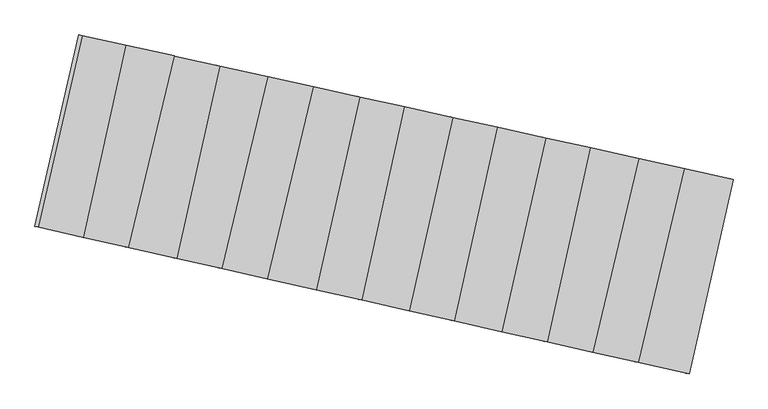
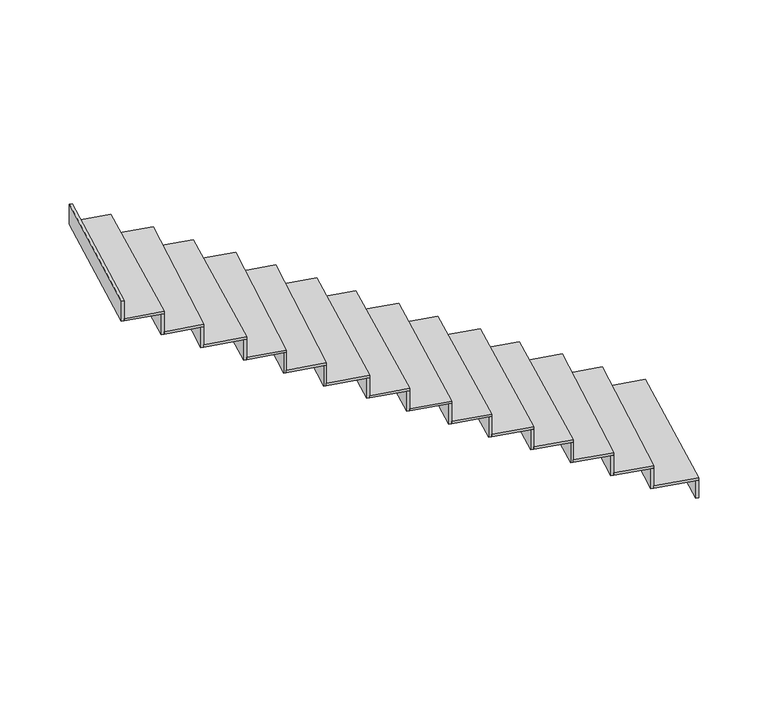
"""IFC4 building model written with IfcOpenShell, lengths in millimetres: stair flight geometry."""

from ifc_helpers import new_model, si_unit, frame, origin, place, context, project, spatial, polyline, outline, extrude, source, transform, mapped, element, save


def stair_flight_25f800e7(model_context):
    return source(origin(), model_context, "Body", "SweptSolid", [
        extrude(outline(polyline([(-69252.6861343, 2195.0390283), (-69233.157768, 2190.7204937), (-69498.5697971, 1013.6243369), (-69518.0799833, 1018.0235001), (-69252.6861343, 2195.0390283)])), frame((0.0, 0.0, -2486.5), z_axis=(0.0, 0.0, 1.0), x_axis=(1.0, 0.0, 0.0)), (0.0, 0.0, 1.0), 144.8530746),
        extrude(outline(polyline([(-69807.4024416, 1083.2600233), (-69529.7485279, 2256.3090556), (-69233.157768, 2190.7204937), (-69498.5697971, 1013.6243369), (-69807.4024416, 1083.2600233)])), frame((0.0, 0.0, -2341.6469254), z_axis=(0.0, 0.0, 1.0), x_axis=(1.0, 0.0, 0.0)), (0.0, 0.0, 1.0), 20.0),
        extrude(outline(polyline([(-69549.27886, 2260.6280249), (-69529.7485279, 2256.3090556), (-69807.4024416, 1083.2600233), (-69826.9137333, 1087.6594358), (-69549.27886, 2260.6280249)])), frame((0.0, 0.0, -2341.6469254), z_axis=(0.0, 0.0, 1.0), x_axis=(1.0, 0.0, 0.0)), (0.0, 0.0, 1.0), 164.8530746),
        extrude(outline(polyline([(-70082.3075507, 1145.2457178), (-69804.9219077, 2317.1613433), (-69529.7485279, 2256.3090556), (-69807.4024416, 1083.2600233), (-70082.3075507, 1145.2457178)])), frame((0.0, 0.0, -2176.7938508), z_axis=(0.0, 0.0, 1.0), x_axis=(1.0, 0.0, 0.0)), (0.0, 0.0, 1.0), 20.0),
        extrude(outline(polyline([(-69824.4522398, 2321.4803126), (-69804.9219077, 2317.1613433), (-70082.3075507, 1145.2457178), (-70101.8188423, 1149.6451303), (-69824.4522398, 2321.4803126)])), frame((0.0, 0.0, -2176.7938508), z_axis=(0.0, 0.0, 1.0), x_axis=(1.0, 0.0, 0.0)), (0.0, 0.0, 1.0), 164.8530746),
        extrude(outline(polyline([(-70357.6021782, 1207.3192411), (-70097.8449008, 2381.9388093), (-69804.9219077, 2317.1613433), (-70082.3075507, 1145.2457178), (-70357.6021782, 1207.3192411)])), frame((0.0, 0.0, -2011.9407762), z_axis=(0.0, 0.0, 1.0), x_axis=(1.0, 0.0, 0.0)), (0.0, 0.0, 1.0), 20.0),
        extrude(outline(polyline([(-70117.3731004, 2386.2573071), (-70097.8449008, 2381.9388093), (-70357.6021782, 1207.3192411), (-70377.1125309, 1211.7184419), (-70117.3731004, 2386.2573071)])), frame((0.0, 0.0, -2011.9407762), z_axis=(0.0, 0.0, 1.0), x_axis=(1.0, 0.0, 0.0)), (0.0, 0.0, 1.0), 164.8530746),
        extrude(outline(polyline([(-70630.7447841, 1268.9075259), (-70366.3877486, 2441.3248104), (-70097.8449008, 2381.9388093), (-70357.6021782, 1207.3192411), (-70630.7447841, 1268.9075259)])), frame((0.0, 0.0, -1847.0877016), z_axis=(0.0, 0.0, 1.0), x_axis=(1.0, 0.0, 0.0)), (0.0, 0.0, 1.0), 20.0),
        extrude(outline(polyline([(-70385.9161149, 2445.6433451), (-70366.3877486, 2441.3248104), (-70630.7447841, 1268.9075259), (-70650.2549703, 1273.3066891), (-70385.9161149, 2445.6433451)])), frame((0.0, 0.0, -1847.0877016), z_axis=(0.0, 0.0, 1.0), x_axis=(1.0, 0.0, 0.0)), (0.0, 0.0, 1.0), 164.8530746),
        extrude(outline(polyline([(-70918.5548961, 1333.8030447), (-70659.3107417, 2506.1022765), (-70366.3877486, 2441.3248104), (-70630.7447841, 1268.9075259), (-70918.5548961, 1333.8030447)])), frame((0.0, 0.0, -1682.234627), z_axis=(0.0, 0.0, 1.0), x_axis=(1.0, 0.0, 0.0)), (0.0, 0.0, 1.0), 20.0),
        extrude(outline(polyline([(-70678.8389413, 2510.4207742), (-70659.3107417, 2506.1022765), (-70918.5548961, 1333.8030447), (-70938.0652488, 1338.2022455), (-70678.8389413, 2510.4207742)])), frame((0.0, 0.0, -1682.234627), z_axis=(0.0, 0.0, 1.0), x_axis=(1.0, 0.0, 0.0)), (0.0, 0.0, 1.0), 164.8530746),
        extrude(outline(polyline([(-71191.697502, 1395.3913295), (-70927.8631787, 2565.4903981), (-70659.3107417, 2506.1022765), (-70918.5548961, 1333.8030447), (-71191.697502, 1395.3913295)])), frame((0.0, 0.0, -1517.3815524), z_axis=(0.0, 0.0, 1.0), x_axis=(1.0, 0.0, 0.0)), (0.0, 0.0, 1.0), 20.0),
        extrude(outline(polyline([(-70947.391545, 2569.8089327), (-70927.8631787, 2565.4903981), (-71191.697502, 1395.3913295), (-71211.2076882, 1399.7904927), (-70947.391545, 2569.8089327)])), frame((0.0, 0.0, -1517.3815524), z_axis=(0.0, 0.0, 1.0), x_axis=(1.0, 0.0, 0.0)), (0.0, 0.0, 1.0), 164.8530746),
        extrude(outline(polyline([(-71479.5171944, 1460.2890085), (-71220.7861718, 2630.2678641), (-70927.8631787, 2565.4903981), (-71191.697502, 1395.3913295), (-71479.5171944, 1460.2890085)])), frame((0.0, 0.0, -1352.5284778), z_axis=(0.0, 0.0, 1.0), x_axis=(1.0, 0.0, 0.0)), (0.0, 0.0, 1.0), 20.0),
        extrude(outline(polyline([(-71240.3143713, 2634.5863619), (-71220.7861718, 2630.2678641), (-71479.5171944, 1460.2890085), (-71499.0275471, 1464.6882093), (-71240.3143713, 2634.5863619)])), frame((0.0, 0.0, -1352.5284778), z_axis=(0.0, 0.0, 1.0), x_axis=(1.0, 0.0, 0.0)), (0.0, 0.0, 1.0), 164.8530746),
        extrude(outline(polyline([(-71752.6598003, 1521.8772932), (-71489.348198, 2689.6581064), (-71220.7861718, 2630.2678641), (-71479.5171944, 1460.2890085), (-71752.6598003, 1521.8772932)])), frame((0.0, 0.0, -1187.6754032), z_axis=(0.0, 0.0, 1.0), x_axis=(1.0, 0.0, 0.0)), (0.0, 0.0, 1.0), 20.0),
        extrude(outline(polyline([(-71508.8765643, 2693.976641), (-71489.348198, 2689.6581064), (-71752.6598003, 1521.8772932), (-71772.1699865, 1526.2764564), (-71508.8765643, 2693.976641)])), frame((0.0, 0.0, -1187.6754032), z_axis=(0.0, 0.0, 1.0), x_axis=(1.0, 0.0, 0.0)), (0.0, 0.0, 1.0), 164.8530746),
        extrude(outline(polyline([(-72049.9352701, 1588.9070641), (-71770.9323769, 2751.9280886), (-71489.348198, 2689.6581064), (-71752.6598003, 1521.8772932), (-72049.9352701, 1588.9070641)])), frame((0.0, 0.0, -1022.8223286), z_axis=(0.0, 0.0, 1.0), x_axis=(1.0, 0.0, 0.0)), (0.0, 0.0, 1.0), 20.0),
        extrude(outline(polyline([(-71790.4636728, 2756.2472711), (-71770.9323769, 2751.9280886), (-72049.9352701, 1588.9070641), (-72069.4472804, 1593.3066386), (-71790.4636728, 2756.2472711)])), frame((0.0, 0.0, -1022.8223286), z_axis=(0.0, 0.0, 1.0), x_axis=(1.0, 0.0, 0.0)), (0.0, 0.0, 1.0), 164.8530746),
        extrude(outline(polyline([(-72324.3196457, 1650.7753435), (-72045.5879536, 2812.6658686), (-71770.9323769, 2751.9280886), (-72049.9352701, 1588.9070641), (-72324.3196457, 1650.7753435)])), frame((0.0, 0.0, -857.9692541), z_axis=(0.0, 0.0, 1.0), x_axis=(1.0, 0.0, 0.0)), (0.0, 0.0, 1.0), 20.0),
        extrude(outline(polyline([(-72065.1192496, 2816.985051), (-72045.5879536, 2812.6658686), (-72324.3196457, 1650.7753435), (-72343.831656, 1655.174918), (-72065.1192496, 2816.985051)])), frame((0.0, 0.0, -857.9692541), z_axis=(0.0, 0.0, 1.0), x_axis=(1.0, 0.0, 0.0)), (0.0, 0.0, 1.0), 164.8530746),
        extrude(outline(polyline([(-72596.220482, 1712.0836336), (-72338.5109468, 2877.4433346), (-72045.5879536, 2812.6658686), (-72324.3196457, 1650.7753435), (-72596.220482, 1712.0836336)])), frame((0.0, 0.0, -693.1161795), z_axis=(0.0, 0.0, 1.0), x_axis=(1.0, 0.0, 0.0)), (0.0, 0.0, 1.0), 20.0),
        extrude(outline(polyline([(-72358.0391463, 2881.7618323), (-72338.5109468, 2877.4433346), (-72596.220482, 1712.0836336), (-72615.7308348, 1716.4828344), (-72358.0391463, 2881.7618323)])), frame((0.0, 0.0, -693.1161795), z_axis=(0.0, 0.0, 1.0), x_axis=(1.0, 0.0, 0.0)), (0.0, 0.0, 1.0), 164.8530746),
        extrude(outline(polyline([(-72890.0734063, 1778.3416877), (-72611.9009044, 2937.9012334), (-72338.5109468, 2877.4433346), (-72596.220482, 1712.0836336), (-72890.0734063, 1778.3416877)])), frame((0.0, 0.0, -528.2631049), z_axis=(0.0, 0.0, 1.0), x_axis=(1.0, 0.0, 0.0)), (0.0, 0.0, 1.0), 20.0),
        extrude(outline(polyline([(-72631.4322003, 2942.2204159), (-72611.9009044, 2937.9012334), (-72890.0734063, 1778.3416877), (-72909.5854166, 1782.7412622), (-72631.4322003, 2942.2204159)])), frame((0.0, 0.0, -528.2631049), z_axis=(0.0, 0.0, 1.0), x_axis=(1.0, 0.0, 0.0)), (0.0, 0.0, 1.0), 164.8530746),
        extrude(outline(polyline([(-73162.01588, 1839.6593663), (-72904.8238975, 3002.6786994), (-72611.9009044, 2937.9012334), (-72890.0734063, 1778.3416877), (-73162.01588, 1839.6593663)])), frame((0.0, 0.0, -363.4100303), z_axis=(0.0, 0.0, 1.0), x_axis=(1.0, 0.0, 0.0)), (0.0, 0.0, 1.0), 20.0),
        extrude(outline(polyline([(-72924.3520971, 3006.9971972), (-72904.8238975, 3002.6786994), (-73162.01588, 1839.6593663), (-73181.5262328, 1844.0585671), (-72924.3520971, 3006.9971972)])), frame((0.0, 0.0, -363.4100303), z_axis=(0.0, 0.0, 1.0), x_axis=(1.0, 0.0, 0.0)), (0.0, 0.0, 1.0), 164.8530746),
        extrude(outline(polyline([(-73188.302203, 3065.3675519), (-73168.7733585, 3061.0489115), (-73435.158486, 1901.247651), (-73454.6688278, 1905.6468493), (-73188.302203, 3065.3675519)])), frame((0.0, 0.0, -198.5569557), z_axis=(0.0, 0.0, 1.0), x_axis=(1.0, 0.0, 0.0)), (0.0, 0.0, 1.0), 164.8530746),
        extrude(outline(polyline([(-73435.158486, 1901.247651), (-73168.7733585, 3061.0489115), (-72904.8238975, 3002.6786994), (-73162.01588, 1839.6593663), (-73435.158486, 1901.247651)])), frame((0.0, 0.0, -198.5569557), z_axis=(0.0, 0.0, 1.0), x_axis=(1.0, 0.0, 0.0)), (0.0, 0.0, 1.0), 20.0),
    ])


if __name__ == "__main__":
    model = new_model("IFC4")
    model_context = context("Model", 3, world=origin())
    ifc_project = project(units=[si_unit("LENGTHUNIT", "METRE", prefix="MILLI")], contexts=[model_context])
    site = spatial("IfcSite", under=ifc_project)
    building = spatial("IfcBuilding", under=site)
    placement = place(None, origin())
    stair_flight_shape = stair_flight_25f800e7(model_context)
    element("IfcStairFlight", 1, at=placement, inside=building, context=model_context, shape_type="MappedRepresentation", body=[
        mapped(stair_flight_shape, transform((0.0, 0.0, 0.0), x_axis=(1.0, 0.0, 0.0), y_axis=(0.0, 1.0, 0.0), z_axis=(0.0, 0.0, 1.0))),
    ])
    save(model, "model.ifc")
